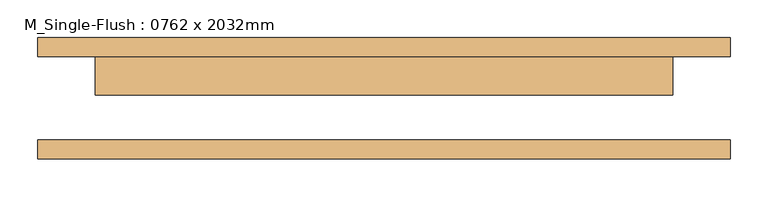
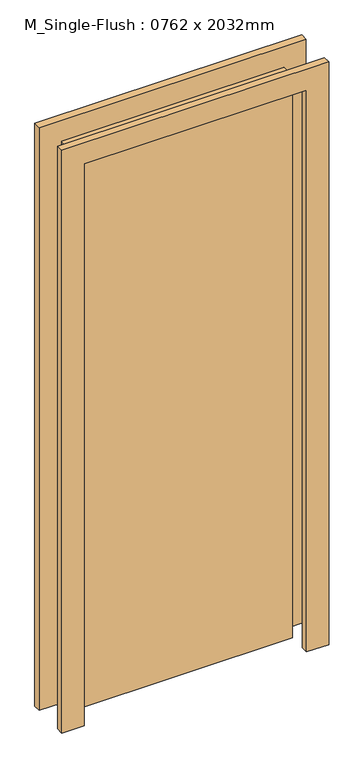
"""IFC4 building model written with IfcOpenShell, lengths in millimetres: door geometry, M_Single-Flush : 0762 x 2032mm."""

import ifcopenshell
import ifcopenshell.guid

model = None  # the IFC model being written
_history = None  # IfcOwnerHistory: only IFC2X3 demands one
_inside = {}  # id of a spatial element -> (the spatial element, [elements in it])
_under = {}  # id of a project, library or spatial element -> (it, [spatial elements below it])
_declared = {}  # id of a project -> (the project, [libraries it declares])
_typed = {}  # id of a type object -> (the type object, [elements of that type])
_made_of = {}  # id of a material, layer set ... -> (it, [elements and type objects made of it])


def new_model(schema):
    """Start an empty IFC model of exactly this schema.

    Asked for "IFC4X3", IfcOpenShell would pick the latest addendum, in which some entities
    have other attributes; the version numbers below select the first issue.
    IFC2X3 requires an IfcOwnerHistory on every rooted entity: one is made here for all.
    """
    global model, _history
    if schema == "IFC4X3":
        model = ifcopenshell.file(schema_version=(4, 3, 0, 0))
    else:
        model = ifcopenshell.file(schema=schema)
    _inside.clear()
    _under.clear()
    _declared.clear()
    _typed.clear()
    _made_of.clear()
    _history = None
    if model.schema == "IFC2X3":
        org = make("IfcOrganization", Name="unknown")
        user = make(
            "IfcPersonAndOrganization",
            ThePerson=make("IfcPerson", FamilyName="unknown"),
            TheOrganization=org,
        )
        app = make(
            "IfcApplication",
            ApplicationDeveloper=org,
            Version="unknown",
            ApplicationFullName="unknown",
            ApplicationIdentifier="unknown",
        )
        _history = make(
            "IfcOwnerHistory",
            OwningUser=user,
            OwningApplication=app,
            ChangeAction="ADDED",
            CreationDate=0,
        )
    return model


def make(cls, **values):
    """One entity of the class cls with the attributes given. An attribute that is None is left unset."""
    return model.create_entity(
        cls, **{name: value for name, value in values.items() if value is not None}
    )


def rooted(cls, **values):
    """An entity with a GlobalId (a new one), such as an element, a storey or a relation."""
    return make(cls, GlobalId=ifcopenshell.guid.new(), OwnerHistory=_history, **values)


def si_unit(unit_type, name, prefix=None):
    """IfcSIUnit, for example si_unit("LENGTHUNIT", "METRE", prefix="MILLI")."""
    return make("IfcSIUnit", UnitType=unit_type, Prefix=prefix, Name=name)


def assignment(units):
    """IfcUnitAssignment: the units of a project."""
    return None if units is None else make("IfcUnitAssignment", Units=units)


def point(xyz):
    """IfcCartesianPoint."""
    return None if xyz is None else make("IfcCartesianPoint", Coordinates=xyz)


def direction(xyz):
    """IfcDirection."""
    return None if xyz is None else make("IfcDirection", DirectionRatios=xyz)


def frame(location, z_axis=None, x_axis=None):
    """IfcAxis2Placement3D, a coordinate frame: its origin and axes. An axis left out is left unset."""
    return make(
        "IfcAxis2Placement3D",
        Location=point(location),
        Axis=direction(z_axis),
        RefDirection=direction(x_axis),
    )


def origin():
    """The frame at (0, 0, 0) with its axes left unset."""
    return frame((0.0, 0.0, 0.0))


def origin_with_axes():
    """The frame at (0, 0, 0) with the z axis (0, 0, 1) and the x axis (1, 0, 0) written out."""
    return frame((0.0, 0.0, 0.0), z_axis=(0.0, 0.0, 1.0), x_axis=(1.0, 0.0, 0.0))


def place(relative_to, where):
    """IfcLocalPlacement: puts the frame where relative to a parent placement (None: the world)."""
    return make(
        "IfcLocalPlacement", PlacementRelTo=relative_to, RelativePlacement=where
    )


def context(
    kind, dimensions, precision=None, world=None, true_north=None, identifier=None
):
    """IfcGeometricRepresentationContext, for example the 3D "Model" context."""
    return make(
        "IfcGeometricRepresentationContext",
        ContextIdentifier=identifier,
        ContextType=kind,
        CoordinateSpaceDimension=dimensions,
        Precision=precision,
        WorldCoordinateSystem=world,
        TrueNorth=true_north,
    )


def project(units=None, contexts=None):
    """IfcProject with its units and contexts."""
    return rooted(
        "IfcProject",
        Name="project",
        RepresentationContexts=contexts,
        UnitsInContext=assignment(units),
    )


def spatial(cls, under=None, at=None, **own):
    """A site, building, storey or space (cls), placed at a placement, below another one or the project."""
    s = rooted(cls, ObjectPlacement=at, **own)
    if under is not None:
        _under.setdefault(under.id(), (under, []))[1].append(s)
    return s


def polyline(points):
    """IfcPolyline through the points."""
    return make("IfcPolyline", Points=[point(p) for p in points])


def outline(outer, holes=None, kind="AREA"):
    """IfcArbitraryClosedProfileDef: a profile drawn as a closed curve; with holes, ...WithVoids."""
    if holes is None:
        return make("IfcArbitraryClosedProfileDef", ProfileType=kind, OuterCurve=outer)
    return make(
        "IfcArbitraryProfileDefWithVoids",
        ProfileType=kind,
        OuterCurve=outer,
        InnerCurves=holes,
    )


def extrude(swept, where, along, depth):
    """IfcExtrudedAreaSolid: the profile swept, set in the frame where, extruded along a direction by depth."""
    return make(
        "IfcExtrudedAreaSolid",
        SweptArea=swept,
        Position=where,
        ExtrudedDirection=direction(along),
        Depth=depth,
    )


def shape(context_of_items, identifier, shape_type, items):
    """IfcShapeRepresentation: the items that make up one representation, for example the "Body"."""
    return make(
        "IfcShapeRepresentation",
        ContextOfItems=context_of_items,
        RepresentationIdentifier=identifier,
        RepresentationType=shape_type,
        Items=items,
    )


def source(mapping_origin, context_of_items, identifier, shape_type, items):
    """IfcRepresentationMap: a shape defined once, which mapped items show again and again."""
    return make(
        "IfcRepresentationMap",
        MappingOrigin=mapping_origin,
        MappedRepresentation=shape(context_of_items, identifier, shape_type, items),
    )


def transform(
    local_origin,
    x_axis=None,
    y_axis=None,
    z_axis=None,
    scale=None,
    scale2=None,
    scale3=None,
    uniform=True,
):
    """IfcCartesianTransformationOperator3D, or its non-uniform kind. x_axis, y_axis, z_axis: its Axis1, 2, 3."""
    if uniform:
        return make(
            "IfcCartesianTransformationOperator3D",
            Axis1=direction(x_axis),
            Axis2=direction(y_axis),
            LocalOrigin=point(local_origin),
            Scale=scale,
            Axis3=direction(z_axis),
        )
    return make(
        "IfcCartesianTransformationOperator3DnonUniform",
        Axis1=direction(x_axis),
        Axis2=direction(y_axis),
        LocalOrigin=point(local_origin),
        Scale=scale,
        Axis3=direction(z_axis),
        Scale2=scale2,
        Scale3=scale3,
    )


def mapped(mapping_source, mapping_target):
    """IfcMappedItem: shows the shape of a source again, moved by a transform."""
    return make(
        "IfcMappedItem", MappingSource=mapping_source, MappingTarget=mapping_target
    )


def made_of(thing, what):
    """Note that an element or type object is made of a material, layer set ...; save() writes the relation."""
    if what is not None:
        _made_of.setdefault(what.id(), (what, []))[1].append(thing)
    return thing


def element(
    cls,
    number,
    at=None,
    inside=None,
    cuts=None,
    type_object=None,
    material=None,
    context=None,
    identifier="Body",
    shape_type=None,
    held_by="IfcProductDefinitionShape",
    body=None,
    shapes=None,
    **own,
):
    """One element of the class cls, such as IfcWall. Its Tag is "e" and its number.

    at: its placement. inside: the storey or other place that contains it. cuts: it is an
    opening in that element (IfcRelVoidsElement). A single representation is given by context,
    identifier, shape_type and body (its items); several are given by shapes. held_by: the class
    of the entity that holds the representations. save() writes the other relations.
    """
    e = rooted(cls, Tag="e%d" % number, ObjectPlacement=at, **own)
    if body is not None:
        shapes = [shape(context, identifier, shape_type, body)]
    if shapes is not None:
        e.Representation = make(held_by, Representations=shapes)
    if inside is not None:
        _inside.setdefault(inside.id(), (inside, []))[1].append(e)
    if cuts is not None:
        rooted(
            "IfcRelVoidsElement", RelatingBuildingElement=cuts, RelatedOpeningElement=e
        )
    if type_object is not None:
        _typed.setdefault(type_object.id(), (type_object, []))[1].append(e)
    return made_of(e, material)


def aggregate(whole, parts):
    """IfcRelAggregates: a whole, such as a stair, and the parts it consists of."""
    return rooted("IfcRelAggregates", RelatingObject=whole, RelatedObjects=parts)


def save(model, path):
    """Write the relations noted so far, then the file.

    IfcRelAggregates (storeys below a building ...), IfcRelContainedInSpatialStructure (elements
    in a storey), IfcRelDefinesByType, IfcRelAssociatesMaterial and IfcRelDeclares: one each for
    every whole, place, type object, material and project.
    """
    for whole, parts in _under.values():
        aggregate(whole, parts)
    for where, things in _inside.values():
        rooted(
            "IfcRelContainedInSpatialStructure",
            RelatedElements=things,
            RelatingStructure=where,
        )
    for kind, things in _typed.values():
        rooted("IfcRelDefinesByType", RelatedObjects=things, RelatingType=kind)
    for what, things in _made_of.values():
        rooted("IfcRelAssociatesMaterial", RelatedObjects=things, RelatingMaterial=what)
    for by, libraries in _declared.values():
        rooted("IfcRelDeclares", RelatingContext=by, RelatedDefinitions=libraries)
    model.write(path)


def m_single_flush_0762_x_2032mm_012d84ae(model_context):
    return source(origin(), model_context, "Body", "SweptSolid", [
        extrude(outline(polyline([(2108.0, -457.0), (0.0, -457.0), (0.0, -381.0), (2032.0, -381.0), (2032.0, 381.0), (0.0, 381.0), (0.0, 457.0), (2108.0, 457.0), (2108.0, -457.0)])), frame((0.0, 55.0, 0.0), z_axis=(0.0, 1.0, 0.0), x_axis=(0.0, 0.0, 1.0)), (0.0, 0.0, 1.0), 25.0),
        extrude(outline(polyline([(2108.0, 457.0), (2108.0, -457.0), (0.0, -457.0), (0.0, -381.0), (2032.0, -381.0), (2032.0, 381.0), (0.0, 381.0), (0.0, 457.0), (2108.0, 457.0)])), frame((0.0, -80.0, 0.0), z_axis=(0.0, 1.0, 0.0), x_axis=(0.0, 0.0, 1.0)), (0.0, 0.0, 1.0), 25.0),
        extrude(outline(polyline([(381.0, 4.0), (-381.0, 4.0), (-381.0, 55.0), (381.0, 55.0), (381.0, 4.0)])), origin_with_axes(), (0.0, 0.0, 1.0), 2032.0),
    ])


if __name__ == "__main__":
    model = new_model("IFC4")
    model_context = context("Model", 3, world=origin())
    ifc_project = project(units=[si_unit("LENGTHUNIT", "METRE", prefix="MILLI")], contexts=[model_context])
    site = spatial("IfcSite", under=ifc_project)
    building = spatial("IfcBuilding", under=site)
    placement = place(None, origin())
    m_single_flush_0762_x_2032mm_shape = m_single_flush_0762_x_2032mm_012d84ae(model_context)
    element("IfcDoor", 1, ObjectType="M_Single-Flush : 0762 x 2032mm", at=placement, inside=building, context=model_context, shape_type="MappedRepresentation", body=[
        mapped(m_single_flush_0762_x_2032mm_shape, transform((0.0, 0.0, 0.0), x_axis=(1.0, 0.0, 0.0), y_axis=(0.0, 1.0, 0.0), z_axis=(0.0, 0.0, 1.0))),
    ])
    save(model, "model.ifc")
